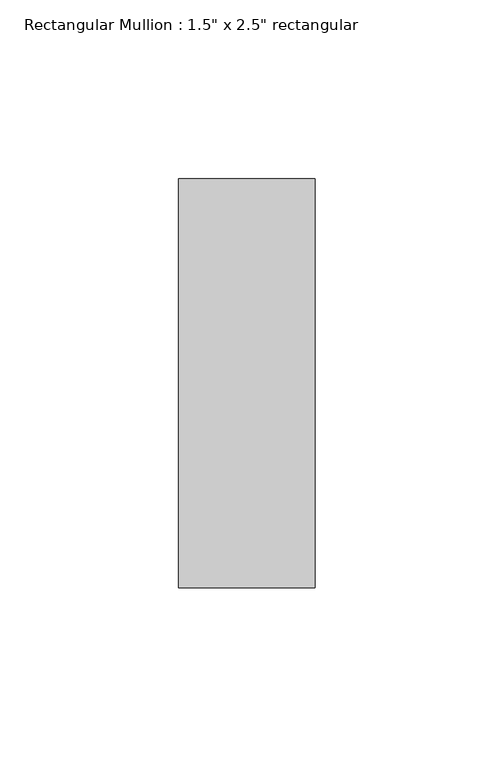
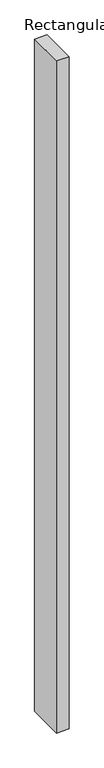
"""IFC4 building model written with IfcOpenShell, lengths in millimetres: member geometry."""

from ifc_helpers import new_model, si_unit, frame, origin, place, context, project, spatial, polyline, outline, extrude, source, transform, mapped, element, save


def member_c2ff1740(model_context):
    return source(origin(), model_context, "Body", "SweptSolid", [
        extrude(outline(polyline([(0.0, 57.15), (0.0, -57.15), (-38.1, -57.15), (-38.1, 57.15), (0.0, 57.15)])), frame((0.0, 0.0, -2152.65), z_axis=(0.0, 0.0, 1.0), x_axis=(1.0, 0.0, 0.0)), (0.0, 0.0, 1.0), 2152.65),
    ])


if __name__ == "__main__":
    model = new_model("IFC4")
    model_context = context("Model", 3, world=origin())
    ifc_project = project(units=[si_unit("LENGTHUNIT", "METRE", prefix="MILLI")], contexts=[model_context])
    site = spatial("IfcSite", under=ifc_project)
    building = spatial("IfcBuilding", under=site)
    placement = place(None, origin())
    member_shape = member_c2ff1740(model_context)
    element("IfcMember", 1, ObjectType="Rectangular Mullion : 1.5\" x 2.5\" rectangular", at=placement, inside=building, context=model_context, shape_type="MappedRepresentation", body=[
        mapped(member_shape, transform((0.0, 0.0, 0.0), x_axis=(1.0, 0.0, 0.0), y_axis=(0.0, 1.0, 0.0), z_axis=(0.0, 0.0, 1.0))),
    ])
    save(model, "model.ifc")
